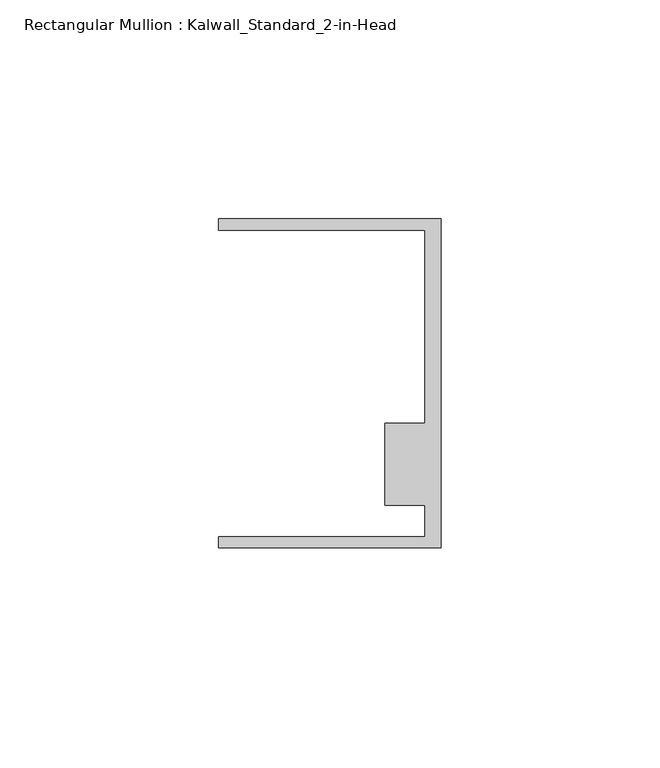
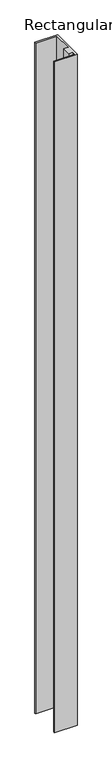
"""IFC4 building model written with IfcOpenShell, lengths in millimetres: member geometry, Rectangular Mullion : Kalwall_Standard_2-in-Head."""

from ifc_helpers import new_model, si_unit, frame, origin, place, context, project, spatial, polyline, outline, extrude, source, transform, mapped, element, save


def rectangular_mullion_kalwall_standard_2_in_head_d998ebb1(model_context):
    return source(origin(), model_context, "Body", "SweptSolid", [
        extrude(outline(polyline([(0.0, -37.5776386), (-50.8, -37.5776386), (-50.8, -35.0376386), (-3.7084, -35.0376386), (-3.7084, -27.8888568), (-12.8272539, -27.8888568), (-12.8272539, -9.1879886), (-3.7084, -9.1879886), (-3.7084, 34.9623614), (-50.8, 34.9623614), (-50.8, 37.5023614), (0.0, 37.5023614), (0.0, -37.5776386)])), frame((0.0, 0.0, -1585.0068), z_axis=(0.0, 0.0, 1.0), x_axis=(1.0, 0.0, 0.0)), (0.0, 0.0, 1.0), 1585.0068),
    ])


if __name__ == "__main__":
    model = new_model("IFC4")
    model_context = context("Model", 3, world=origin())
    ifc_project = project(units=[si_unit("LENGTHUNIT", "METRE", prefix="MILLI")], contexts=[model_context])
    site = spatial("IfcSite", under=ifc_project)
    building = spatial("IfcBuilding", under=site)
    placement = place(None, origin())
    rectangular_mullion_kalwall_standard_2_in_head_shape = rectangular_mullion_kalwall_standard_2_in_head_d998ebb1(model_context)
    element("IfcMember", 1, ObjectType="Rectangular Mullion : Kalwall_Standard_2-in-Head", at=placement, inside=building, context=model_context, shape_type="MappedRepresentation", body=[
        mapped(rectangular_mullion_kalwall_standard_2_in_head_shape, transform((0.0, 0.0, 0.0), x_axis=(1.0, 0.0, 0.0), y_axis=(0.0, 1.0, 0.0), z_axis=(0.0, 0.0, 1.0))),
    ])
    save(model, "model.ifc")
